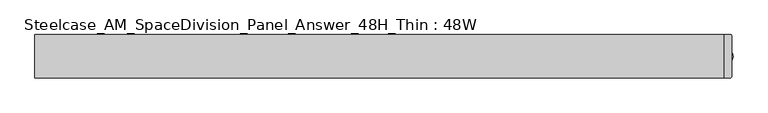
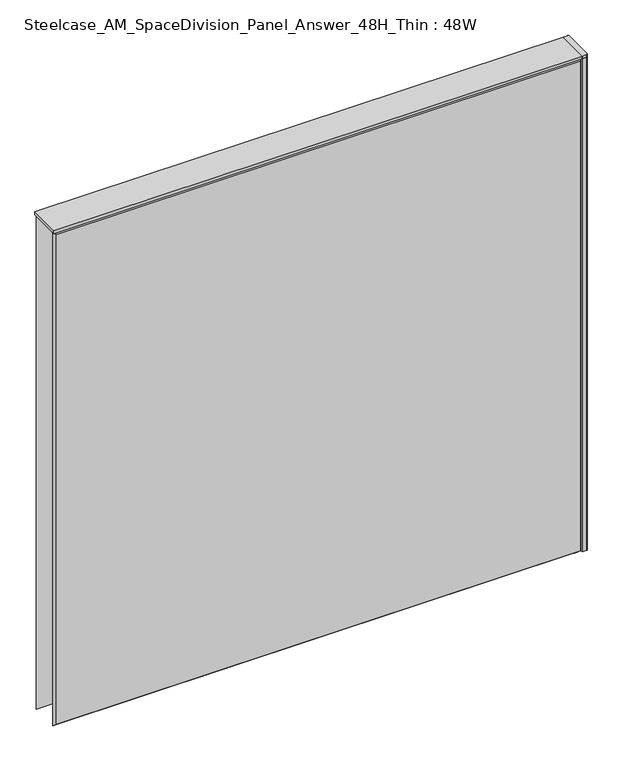
"""IFC4 building model written with IfcOpenShell, lengths in millimetres: furniture geometry, Steelcase_AM_SpaceDivision_Panel_Answer_48H_Thin : 48W."""

from ifc_helpers import new_model, si_unit, point, frame, frame_2d, origin, place, context, project, spatial, polyline, circle_curve, trimmed, segment, composite_curve, outline, extrude, faceted_brep, source, transform, mapped, element, save


def steelcase_am_spacedivision_panel_answer_48h_thin_48w_45024ead(model_context):
    return source(origin(), model_context, "Body", "SolidModel", [
        extrude(outline(composite_curve([segment(trimmed(circle_curve(frame_2d((609.6, 1.94e-05)), 5.08), [point((614.68, 1.94e-05))], [point((604.52, 1.94e-05))], False, "CARTESIAN"), True, "CONTINUOUS"), segment(trimmed(circle_curve(frame_2d((609.6, 1.94e-05)), 5.08), [point((604.52, 1.94e-05))], [point((614.68, 1.94e-05))], False, "CARTESIAN"), True, "CONTINUOUS")], self_intersect=False)), frame((0.0, 0.0, 5.0799671), z_axis=(0.0, 0.0, 1.0), x_axis=(1.0, 0.0, 0.0)), (0.0, 0.0, 1.0), 10.414),
        extrude(outline(composite_curve([segment(trimmed(circle_curve(frame_2d((609.6, 1.94e-05)), 15.24), [point((624.84, 1.94e-05))], [point((594.36, 1.94e-05))], False, "CARTESIAN"), True, "CONTINUOUS"), segment(trimmed(circle_curve(frame_2d((609.6, 1.94e-05)), 15.24), [point((594.36, 1.94e-05))], [point((624.84, 1.94e-05))], False, "CARTESIAN"), True, "CONTINUOUS")], self_intersect=False)), frame((0.0, 0.0, -3.29e-05), z_axis=(0.0, 0.0, 1.0), x_axis=(1.0, 0.0, 0.0)), (0.0, 0.0, 1.0), 5.08),
        extrude(outline(composite_curve([segment(trimmed(circle_curve(frame_2d((620.522, -36.322)), 1.778), [point((622.3, -36.322))], [point((620.522, -38.1))], False, "CARTESIAN"), True, "CONTINUOUS"), segment(polyline([(620.522, -38.1), (609.6, -38.1), (609.6, 38.1), (620.522, 38.1)]), True, "CONTINUOUS"), segment(trimmed(circle_curve(frame_2d((620.522, 36.322)), 1.778), [point((620.522, 38.1))], [point((622.3, 36.322))], False, "CARTESIAN"), True, "CONTINUOUS"), segment(polyline([(622.3, 36.322), (622.3, -36.322)]), True, "CONTINUOUS")], self_intersect=False)), frame((0.0, 0.0, 1219.1999671), z_axis=(0.0, 0.0, 1.0), x_axis=(1.0, 0.0, 0.0)), (0.0, 0.0, 1.0), 6.35),
        extrude(outline(composite_curve([segment(trimmed(circle_curve(frame_2d((620.522, -36.322)), 1.778), [point((622.3, -36.322))], [point((620.522, -38.1))], False, "CARTESIAN"), True, "CONTINUOUS"), segment(polyline([(620.522, -38.1), (609.6, -38.1), (609.6, 38.1), (620.522, 38.1)]), True, "CONTINUOUS"), segment(trimmed(circle_curve(frame_2d((620.522, 36.322)), 1.778), [point((620.522, 38.1))], [point((622.3, 36.322))], False, "CARTESIAN"), True, "CONTINUOUS"), segment(polyline([(622.3, 36.322), (622.3, -36.322)]), True, "CONTINUOUS")], self_intersect=False)), frame((0.0, 0.0, 15.4939671), z_axis=(0.0, 0.0, 1.0), x_axis=(1.0, 0.0, 0.0)), (0.0, 0.0, 1.0), 1203.706),
        faceted_brep([(-604.774, -38.0960551, 1214.374), (-604.774, -38.0960551, 20.32), (604.774, -38.0960551, 20.32), (604.774, -38.0960551, 1214.374), (-609.6, -33.2700551, 1219.2), (609.6, -33.2700551, 1219.2), (609.6, -33.2700551, 15.494), (-609.6, -33.2700551, 15.494)], [[[0, 1, 2, 3]], [[4, 5, 6, 7]], [[4, 0, 3, 5]], [[5, 3, 2, 6]], [[6, 2, 1, 7]], [[7, 1, 0, 4]]]),
        faceted_brep([(604.774, 38.0960551, 1214.374), (604.774, 38.0960551, 20.32), (-604.774, 38.0960551, 20.32), (-604.774, 38.0960551, 1214.374), (609.6, 33.2700551, 1219.2), (-609.6, 33.2700551, 1219.2), (-609.6, 33.2700551, 15.494), (609.6, 33.2700551, 15.494)], [[[0, 1, 2, 3]], [[4, 5, 6, 7]], [[4, 0, 3, 5]], [[5, 3, 2, 6]], [[6, 2, 1, 7]], [[7, 1, 0, 4]]]),
        extrude(outline(polyline([(609.6, -38.1000194), (-609.6, -38.1000194), (-609.6, 38.1000194), (609.6, 38.1000194), (609.6, -38.1000194)])), frame((0.0, 0.0, 1219.2), z_axis=(0.0, 0.0, 1.0), x_axis=(1.0, 0.0, 0.0)), (0.0, 0.0, 1.0), 6.35),
    ])


if __name__ == "__main__":
    model = new_model("IFC4")
    model_context = context("Model", 3, world=origin())
    ifc_project = project(units=[si_unit("LENGTHUNIT", "METRE", prefix="MILLI")], contexts=[model_context])
    site = spatial("IfcSite", under=ifc_project)
    building = spatial("IfcBuilding", under=site)
    placement = place(None, origin())
    steelcase_am_spacedivision_panel_answer_48h_thin_48w_shape = steelcase_am_spacedivision_panel_answer_48h_thin_48w_45024ead(model_context)
    element("IfcFurniture", 1, ObjectType="Steelcase_AM_SpaceDivision_Panel_Answer_48H_Thin : 48W", at=placement, inside=building, context=model_context, shape_type="MappedRepresentation", body=[
        mapped(steelcase_am_spacedivision_panel_answer_48h_thin_48w_shape, transform((0.0, 0.0, 0.0), x_axis=(1.0, 0.0, 0.0), y_axis=(0.0, 1.0, 0.0), z_axis=(0.0, 0.0, 1.0))),
    ])
    save(model, "model.ifc")
